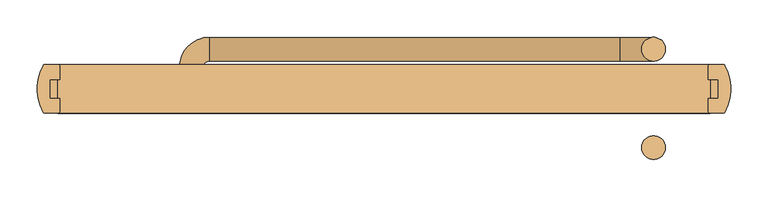
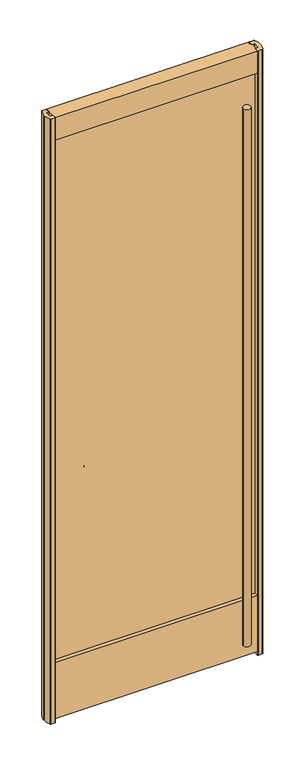
"""IFC4 building model written with IfcOpenShell, lengths in millimetres: door geometry."""

from ifc_helpers import new_model, si_unit, point, frame, frame_2d, origin, origin_with_axes, place, context, project, spatial, polyline, circle_curve, ellipse_curve, trimmed, segment, composite_curve, outline, extrude, source, transform, mapped, element, save
from ifc_brep_helpers import plane_surface, cylinder_surface, revolved_surface, advanced_brep


def door_cc67c343(model_context):
    return source(origin(), model_context, "Body", "SolidModel", [
        extrude(outline(composite_curve([segment(trimmed(circle_curve(frame_2d((360.426, 53.1813703)), 15.875), [point((344.551, 53.1813703))], [point((376.301, 53.1813703))], False, "CARTESIAN"), True, "CONTINUOUS"), segment(trimmed(circle_curve(frame_2d((360.426, 53.1813703)), 15.875), [point((376.301, 53.1813703))], [point((344.551, 53.1813703))], False, "CARTESIAN"), True, "CONTINUOUS")], self_intersect=False)), frame((0.0, 0.0, 2108.2), z_axis=(0.0, 0.0, 1.0), x_axis=(1.0, 0.0, 0.0)), (0.0, 0.0, 1.0), 431.8),
        extrude(outline(composite_curve([segment(trimmed(circle_curve(frame_2d((360.426, -78.58125)), 15.875), [point((344.551, -78.58125))], [point((376.301, -78.58125))], False, "CARTESIAN"), True, "CONTINUOUS"), segment(trimmed(circle_curve(frame_2d((360.426, -78.58125)), 15.875), [point((376.301, -78.58125))], [point((344.551, -78.58125))], False, "CARTESIAN"), True, "CONTINUOUS")], self_intersect=False)), frame((0.0, 0.0, 104.5539297), z_axis=(0.0, 0.0, 1.0), x_axis=(1.0, 0.0, 0.0)), (0.0, 0.0, 1.0), 2435.4460703),
        advanced_brep(
        [(-233.7068599, 37.3063703, 1066.8), (-233.7068599, 69.0563703, 1066.8), (315.976, 69.0563703, 1066.8), (315.976, 37.3063703, 1066.8), (360.426, 69.0563703, 1111.25), (360.426, 37.3063703, 1111.25), (360.426, 37.3063703, 2108.2), (360.426, 69.0563703, 2108.2), (-241.7672308, 0.0, 1066.8), (-273.5172308, 0.0, 1066.8), (-241.7672308, 29.2459994, 1066.8), (-273.5172308, 29.2459994, 1066.8)],
        [
            (0, 1, circle_curve(frame((-233.7068599, 53.1813703, 1066.8), z_axis=(1.0, 0.0, 0.0), x_axis=(0.0, 1.0, 0.0)), 15.875)),
            (1, 2),
            (2, 3, circle_curve(frame((315.976, 53.1813703, 1066.8), z_axis=(-1.0, 0.0, 0.0), x_axis=(0.0, 1.0, 0.0)), 15.875)),
            (3, 0),
            (4, 2, circle_curve(frame((315.976, 69.0563703, 1111.25), z_axis=(0.0, 1.0, 0.0), x_axis=(0.0, 0.0, -1.0)), 44.45)),
            (2, 3, circle_curve(frame((315.976, 53.1813703, 1066.8), z_axis=(1.0, 0.0, 0.0), x_axis=(0.0, 1.0, 0.0)), 15.875)),
            (3, 5, circle_curve(frame((315.976, 37.3063703, 1111.25), z_axis=(0.0, -1.0, 0.0), x_axis=(0.0, 0.0, -1.0)), 44.45)),
            (5, 4, circle_curve(frame((360.426, 53.1813703, 1111.25), z_axis=(0.0, 0.0, -1.0), x_axis=(0.0, 1.0, 0.0)), 15.875)),
            (5, 6),
            (6, 7, circle_curve(frame((360.426, 53.1813703, 2108.2), z_axis=(0.0, 0.0, -1.0), x_axis=(0.0, 1.0, 0.0)), 15.875)),
            (7, 4),
            (5, 4, circle_curve(frame((360.426, 53.1813703, 1111.25), z_axis=(0.0, 0.0, 1.0), x_axis=(0.0, 1.0, 0.0)), 15.875)),
            (7, 6, circle_curve(frame((360.426, 53.1813703, 2108.2), z_axis=(0.0, 0.0, -1.0), x_axis=(0.0, 1.0, 0.0)), 15.875)),
            (8, 9, circle_curve(frame((-257.6422308, 0.0, 1066.8), z_axis=(0.0, -1.0, 0.0), x_axis=(-1.0, 0.0, 0.0)), 15.875)),
            (9, 8, circle_curve(frame((-257.6422308, 0.0, 1066.8), z_axis=(0.0, -1.0, 0.0), x_axis=(-1.0, 0.0, 0.0)), 15.875)),
            (8, 10),
            (10, 11, circle_curve(frame((-257.6422308, 29.2459994, 1066.8), z_axis=(0.0, -1.0, 0.0), x_axis=(-1.0, 0.0, 0.0)), 15.875)),
            (11, 9),
            (11, 10, circle_curve(frame((-257.6422308, 29.2459994, 1066.8), z_axis=(0.0, -1.0, 0.0), x_axis=(-1.0, 0.0, 0.0)), 15.875)),
            (1, 11, circle_curve(frame((-233.7068599, 29.2459994, 1066.8), z_axis=(0.0, 0.0, 1.0), x_axis=(-1.0, 0.0, 0.0)), 39.8103709)),
            (10, 0, circle_curve(frame((-233.7068599, 29.2459994, 1066.8), z_axis=(0.0, 0.0, -1.0), x_axis=(-1.0, 0.0, 0.0)), 8.0603709)),
            (0, 1, circle_curve(frame((-233.7068599, 53.1813703, 1066.8), z_axis=(-1.0, 0.0, 0.0), x_axis=(0.0, 1.0, 0.0)), 15.875)),
        ],
        [
            cylinder_surface(frame((-233.7068599, 53.1813703, 1066.8), z_axis=(-1.0, 0.0, 0.0), x_axis=(0.0, 1.0, 0.0)), 15.875),
            revolved_surface(trimmed(ellipse_curve(frame((315.976, 53.1813703, 1066.8), z_axis=(-1.0, 0.0, 0.0), x_axis=(0.0, 1.0, 0.0)), 15.875, 15.875), [point((315.976, 37.3063703, 1066.8))], [point((315.976, 69.0563703, 1066.8))], True, "CARTESIAN"), (315.976, 53.18125, 1111.25), (0.0, -1.0, 0.0)),
            cylinder_surface(frame((360.426, 53.1813703, 1111.25), z_axis=(0.0, 0.0, -1.0), x_axis=(0.0, 1.0, 0.0)), 15.875),
            plane_surface(frame((-273.5172308, 0.0, 1066.8), z_axis=(0.0, -1.0, 0.0), x_axis=(0.0, 0.0, 1.0))),
            plane_surface(frame((360.426, 37.3061297, 2108.2), z_axis=(0.0, 0.0, 1.0), x_axis=(1.0, 0.0, 0.0))),
            cylinder_surface(frame((-257.6422308, 0.0, 1066.8), z_axis=(0.0, -1.0, 0.0), x_axis=(-1.0, 0.0, 0.0)), 15.875),
            revolved_surface(trimmed(ellipse_curve(frame((-257.6422308, 29.2459994, 1066.8), z_axis=(0.0, -1.0, 0.0), x_axis=(-1.0, 0.0, 0.0)), 15.875, 15.875), [point((-241.7672308, 29.2459994, 1066.8))], [point((-273.5172308, 29.2459994, 1066.8))], True, "CARTESIAN"), (-233.7068599, 29.2459994, 1066.8), (0.0, 0.0, -1.0)),
            revolved_surface(trimmed(ellipse_curve(frame((-257.6422308, 29.2459994, 1066.8), z_axis=(0.0, -1.0, 0.0), x_axis=(-1.0, 0.0, 0.0)), 15.875, 15.875), [point((-273.5172308, 29.2459994, 1066.8))], [point((-241.7672308, 29.2459994, 1066.8))], True, "CARTESIAN"), (-233.7068599, 29.2459994, 1066.8), (0.0, 0.0, -1.0)),
            revolved_surface(trimmed(ellipse_curve(frame((315.976, 53.1813703, 1066.8), z_axis=(-1.0, 0.0, 0.0), x_axis=(0.0, 1.0, 0.0)), 15.875, 15.875), [point((315.976, 69.0563703, 1066.8))], [point((315.976, 37.3063703, 1066.8))], True, "CARTESIAN"), (315.976, 53.18125, 1111.25), (0.0, -1.0, 0.0)),
        ],
        [
            (0, [[1, 2, 3, 4]]),
            (1, [[5, 6, 7, 8]]),
            (2, [[-8, 9, 10, 11]]),
            (2, [[12, -11, 13, -9]]),
            (3, [[14, 15]]),
            (4, [[-13, -10]]),
            (5, [[-14, 16, 17, 18]]),
            (5, [[-15, -18, 19, -16]]),
            (6, [[20, -17, 21, 22]]),
            (7, [[-21, -19, -20, -1]]),
            (0, [[-22, -4, -6, -2]]),
            (8, [[-7, -3, -5, -12]]),
        ],
    ),
        extrude(outline(composite_curve([segment(polyline([(454.238706, -32.3601726), (435.459115, -32.3601726)]), True, "CONTINUOUS"), segment(trimmed(circle_curve(frame_2d((435.459115, -30.6583726)), 1.7018), [point((435.459115, -32.3601726))], [point((433.757315, -30.6583726))], False, "CARTESIAN"), True, "CONTINUOUS"), segment(polyline([(433.757315, -30.6583726), (433.757315, -12.7), (446.8060233, -12.7), (446.8060233, 12.7), (433.757315, 12.7), (433.757315, 30.6583726)]), True, "CONTINUOUS"), segment(trimmed(circle_curve(frame_2d((435.459115, 30.6583726)), 1.7018), [point((433.757315, 30.6583726))], [point((435.459115, 32.3601726))], False, "CARTESIAN"), True, "CONTINUOUS"), segment(polyline([(435.459115, 32.3601726), (454.238706, 32.3601726)]), True, "CONTINUOUS"), segment(trimmed(circle_curve(frame_2d((454.238706, 30.6583726)), 1.7018), [point((454.238706, 32.3601726))], [point((455.7431038, 31.4539294))], False, "CARTESIAN"), True, "CONTINUOUS"), segment(trimmed(circle_curve(frame_2d((396.2632583, -0.0002496)), 67.2846), [point((455.7431038, 31.4539294))], [point((463.4451209, 3.7165681))], False, "CARTESIAN"), True, "CONTINUOUS"), segment(polyline([(463.4451209, 3.7165681), (463.4451209, -3.7165681)]), True, "CONTINUOUS"), segment(trimmed(circle_curve(frame_2d((396.2632583, 0.0002496)), 67.2846), [point((463.4451209, -3.7165681))], [point((455.7431038, -31.4539294))], False, "CARTESIAN"), True, "CONTINUOUS"), segment(trimmed(circle_curve(frame_2d((454.238706, -30.6583726)), 1.7018), [point((455.7431038, -31.4539294))], [point((454.238706, -32.3601726))], False, "CARTESIAN"), True, "CONTINUOUS")], self_intersect=False)), origin_with_axes(), (0.0, 0.0, 1.0), 2743.2),
        extrude(outline(composite_curve([segment(trimmed(circle_curve(frame_2d((-454.238706, -30.6583726)), 1.7018), [point((-454.238706, -32.3601726))], [point((-455.7431038, -31.4539294))], False, "CARTESIAN"), True, "CONTINUOUS"), segment(trimmed(circle_curve(frame_2d((-396.2632583, 0.0002496)), 67.2846), [point((-455.7431038, -31.4539294))], [point((-463.4451209, -3.7165681))], False, "CARTESIAN"), True, "CONTINUOUS"), segment(polyline([(-463.4451209, -3.7165681), (-463.4451209, 3.7165681)]), True, "CONTINUOUS"), segment(trimmed(circle_curve(frame_2d((-396.2632583, -0.0002496)), 67.2846), [point((-463.4451209, 3.7165681))], [point((-455.7431038, 31.4539294))], False, "CARTESIAN"), True, "CONTINUOUS"), segment(trimmed(circle_curve(frame_2d((-454.238706, 30.6583726)), 1.7018), [point((-455.7431038, 31.4539294))], [point((-454.238706, 32.3601726))], False, "CARTESIAN"), True, "CONTINUOUS"), segment(polyline([(-454.238706, 32.3601726), (-435.459115, 32.3601726)]), True, "CONTINUOUS"), segment(trimmed(circle_curve(frame_2d((-435.459115, 30.6583726)), 1.7018), [point((-435.459115, 32.3601726))], [point((-433.757315, 30.6583726))], False, "CARTESIAN"), True, "CONTINUOUS"), segment(polyline([(-433.757315, 30.6583726), (-433.757315, 12.7), (-446.8060233, 12.7), (-446.8060233, -12.7), (-433.757315, -12.7), (-433.757315, -30.6583726)]), True, "CONTINUOUS"), segment(trimmed(circle_curve(frame_2d((-435.459115, -30.6583726)), 1.7018), [point((-433.757315, -30.6583726))], [point((-435.459115, -32.3601726))], False, "CARTESIAN"), True, "CONTINUOUS"), segment(polyline([(-435.459115, -32.3601726), (-454.238706, -32.3601726)]), True, "CONTINUOUS")], self_intersect=False)), origin_with_axes(), (0.0, 0.0, 1.0), 2743.2),
        extrude(outline(polyline([(446.9744024, -12.7), (-446.8455312, -12.7), (-446.8455312, 12.7), (446.9744024, 12.7), (446.9744024, -12.7)])), frame((0.0, 0.0, 17.4625), z_axis=(0.0, 0.0, 1.0), x_axis=(1.0, 0.0, 0.0)), (0.0, 0.0, 1.0), 2636.8375),
        extrude(outline(polyline([(-12.7, 271.4625), (-12.7, 258.7625), (12.7, 258.7625), (12.7, 271.4625), (32.3601726, 271.4625), (32.3601726, 17.4625), (-32.3601726, 17.4625), (-32.3601726, 271.4625), (-12.7, 271.4625)])), frame((-436.322715, 0.0, 0.0), z_axis=(1.0, 0.0, 0.0), x_axis=(0.0, 1.0, 0.0)), (0.0, 0.0, 1.0), 872.6454299),
        extrude(outline(polyline([(32.3601726, 2743.2), (32.3601726, 2641.6), (12.7, 2641.6), (12.7, 2654.3), (-12.7, 2654.3), (-12.7, 2641.6), (-32.3601726, 2641.6), (-32.3601726, 2743.2), (32.3601726, 2743.2)])), frame((-436.322715, 0.0, 0.0), z_axis=(1.0, 0.0, 0.0), x_axis=(0.0, 1.0, 0.0)), (0.0, 0.0, 1.0), 872.6454299),
    ])


if __name__ == "__main__":
    model = new_model("IFC4")
    model_context = context("Model", 3, world=origin())
    ifc_project = project(units=[si_unit("LENGTHUNIT", "METRE", prefix="MILLI")], contexts=[model_context])
    site = spatial("IfcSite", under=ifc_project)
    building = spatial("IfcBuilding", under=site)
    placement = place(None, origin())
    door_shape = door_cc67c343(model_context)
    element("IfcDoor", 1, at=placement, inside=building, context=model_context, shape_type="MappedRepresentation", body=[
        mapped(door_shape, transform((0.0, 0.0, 0.0), x_axis=(1.0, 0.0, 0.0), y_axis=(0.0, 1.0, 0.0), z_axis=(0.0, 0.0, 1.0))),
    ])
    save(model, "model.ifc")
